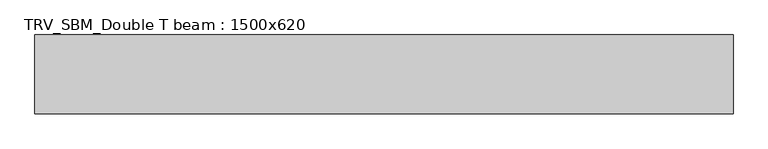
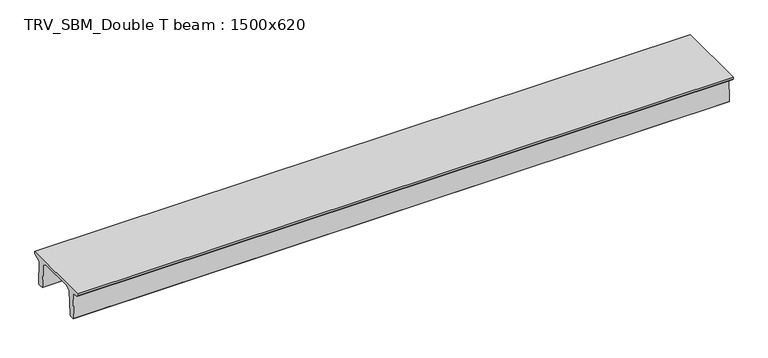
"""IFC4 building model written with IfcOpenShell, lengths in millimetres: beam geometry, TRV_SBM_Double T beam : 1500x620."""

from ifc_helpers import new_model, si_unit, frame, origin, place, context, project, spatial, polyline, outline, extrude, source, transform, mapped, element, save


def trv_sbm_double_t_beam_1500x620_b13b054b(model_context):
    return source(origin(), model_context, "Body", "SweptSolid", [
        extrude(outline(polyline([(-765.0, 215.0), (-765.0, 260.0), (735.0, 260.0), (735.0, 215.0), (728.2094488, 201.315559), (578.0626443, 140.6523122), (594.8277662, -339.4379646), (574.2657308, -360.0), (484.2657308, -360.0), (464.786332, -340.5206011), (447.8600761, 144.18395), (338.3237744, 210.0), (-367.4555014, 210.0), (-476.5389732, 151.9992892), (-507.0080378, -339.3850967), (-527.622941, -360.0), (-615.122941, -360.0), (-637.1143055, -338.0086356), (-606.1572167, 162.687806), (-761.3068466, 204.260024), (-765.0, 215.0)])), frame((-6653.0, 0.0, 0.0), z_axis=(1.0, 0.0, 0.0), x_axis=(0.0, 1.0, 0.0)), (0.0, 0.0, 1.0), 13306.0),
    ])


if __name__ == "__main__":
    model = new_model("IFC4")
    model_context = context("Model", 3, world=origin())
    ifc_project = project(units=[si_unit("LENGTHUNIT", "METRE", prefix="MILLI")], contexts=[model_context])
    site = spatial("IfcSite", under=ifc_project)
    building = spatial("IfcBuilding", under=site)
    placement = place(None, origin())
    trv_sbm_double_t_beam_1500x620_shape = trv_sbm_double_t_beam_1500x620_b13b054b(model_context)
    element("IfcBeam", 1, ObjectType="TRV_SBM_Double T beam : 1500x620", at=placement, inside=building, context=model_context, shape_type="MappedRepresentation", body=[
        mapped(trv_sbm_double_t_beam_1500x620_shape, transform((0.0, 0.0, 0.0), x_axis=(1.0, 0.0, 0.0), y_axis=(0.0, 1.0, 0.0), z_axis=(0.0, 0.0, 1.0))),
    ])
    save(model, "model.ifc")
